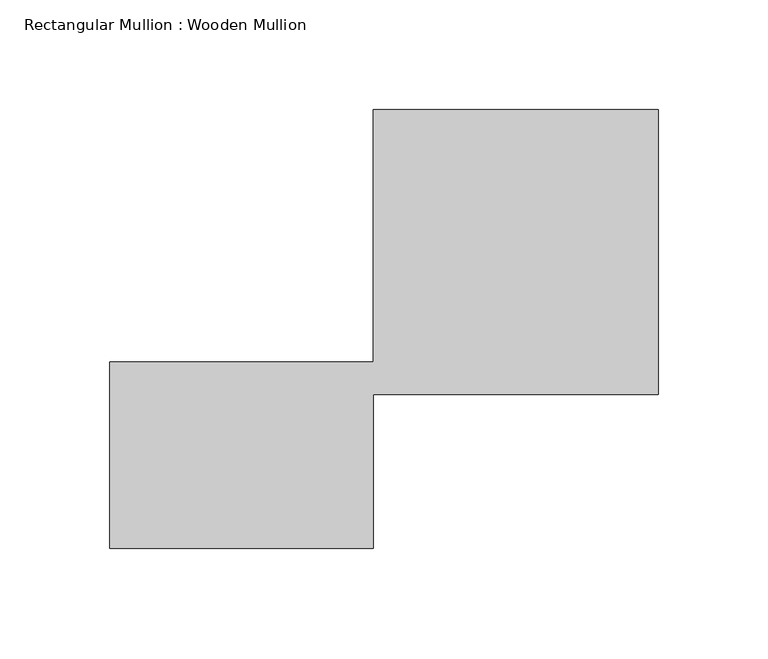
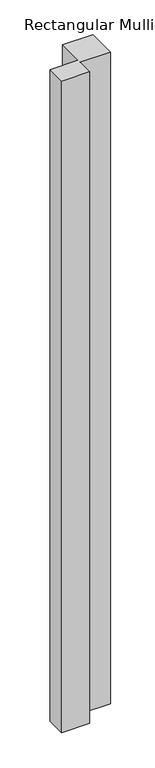
"""IFC4 building model written with IfcOpenShell, lengths in millimetres: member geometry, Rectangular Mullion : Wooden Mullion."""

from ifc_helpers import new_model, si_unit, frame, origin, place, context, project, spatial, polyline, outline, extrude, source, transform, mapped, element, save


def rectangular_mullion_wooden_mullion_2b56348e(model_context):
    return source(origin(), model_context, "Body", "SweptSolid", [
        extrude(outline(polyline([(74.8100006, -26.0137344), (-45.1899994, -26.0137344), (-45.1899994, 58.9862656), (74.8100006, 58.9862656), (74.8100006, 173.9862656), (204.8100006, 173.9862656), (204.8100006, 43.9862656), (74.8100006, 43.9862656), (74.8100006, -26.0137344)])), frame((0.0, 0.0, -2949.910014), z_axis=(0.0, 0.0, 1.0), x_axis=(1.0, 0.0, 0.0)), (0.0, 0.0, 1.0), 2949.910014),
    ])


if __name__ == "__main__":
    model = new_model("IFC4")
    model_context = context("Model", 3, world=origin())
    ifc_project = project(units=[si_unit("LENGTHUNIT", "METRE", prefix="MILLI")], contexts=[model_context])
    site = spatial("IfcSite", under=ifc_project)
    building = spatial("IfcBuilding", under=site)
    placement = place(None, origin())
    rectangular_mullion_wooden_mullion_shape = rectangular_mullion_wooden_mullion_2b56348e(model_context)
    element("IfcMember", 1, ObjectType="Rectangular Mullion : Wooden Mullion", at=placement, inside=building, context=model_context, shape_type="MappedRepresentation", body=[
        mapped(rectangular_mullion_wooden_mullion_shape, transform((0.0, 0.0, 0.0), x_axis=(1.0, 0.0, 0.0), y_axis=(0.0, 1.0, 0.0), z_axis=(0.0, 0.0, 1.0))),
    ])
    save(model, "model.ifc")
